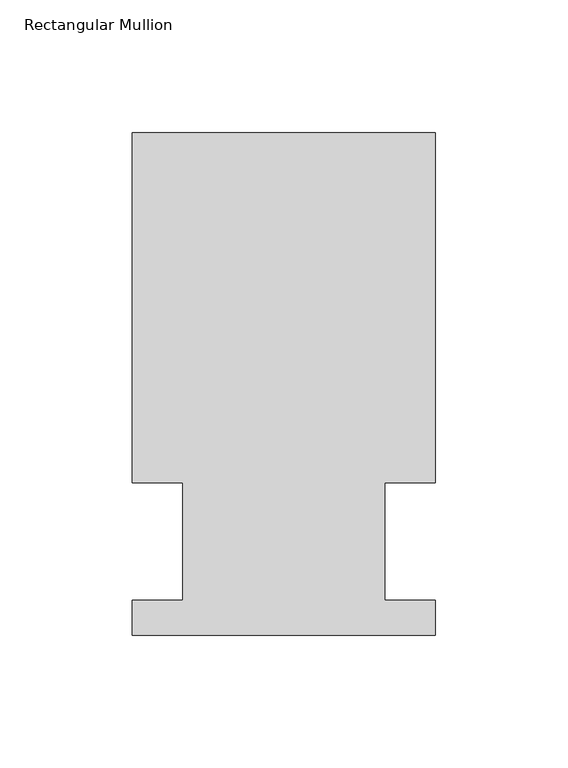
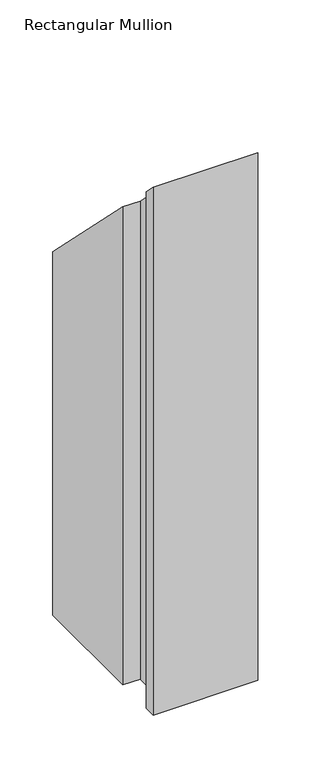
"""IFC4 building model written with IfcOpenShell, lengths in millimetres: member geometry, Rectangular Mullion."""

from ifc_helpers import new_model, si_unit, origin, place, context, project, spatial, faceted_brep, source, transform, mapped, element, save


def rectangular_mullion_38309de5(model_context):
    return source(origin(), model_context, "Body", "Brep", [
        faceted_brep([(-114.3, 189.8022937, -609.56825), (0.0, 189.8022937, -609.56825), (0.0, 57.6460937, -609.56825), (-19.0372999, 57.6460938, -609.56825), (-19.0372999, 13.1960937, -609.56825), (0.0, 13.1960937, -609.56825), (0.0, 0.0231006, -609.56825), (-114.3, 0.0231006, -609.56825), (-114.3, 13.1960937, -609.56825), (-95.25, 13.1960937, -609.56825), (-95.25, 57.6460937, -609.56825), (-114.3, 57.6460938, -609.56825), (-114.3, 57.6460938, -57.6460937), (-114.3, 189.8022937, -189.8022937), (-95.25, 57.6460937, -57.6460937), (-95.25, 13.1960937, -13.1960937), (-114.3, 13.1960937, -13.1960937), (-114.3, 0.0231006, -0.0231006), (0.0, 0.0231006, -0.0231006), (0.0, 13.1960937, -13.1960937), (-19.0372999, 13.1960937, -13.1960937), (-19.0372999, 57.6460938, -57.6460937), (0.0, 57.6460937, -57.6460937), (0.0, 189.8022937, -189.8022937)], [[[0, 1, 2, 3, 4, 5, 6, 7, 8, 9, 10, 11]], [[12, 13, 0, 11]], [[14, 12, 11, 10]], [[15, 14, 10, 9]], [[16, 15, 9, 8]], [[17, 16, 8, 7]], [[18, 17, 7, 6]], [[19, 18, 6, 5]], [[20, 19, 5, 4]], [[21, 20, 4, 3]], [[22, 21, 3, 2]], [[23, 22, 2, 1]], [[13, 23, 1, 0]], [[13, 12, 14, 15, 16, 17, 18, 19, 20, 21, 22, 23]]]),
    ])


if __name__ == "__main__":
    model = new_model("IFC4")
    model_context = context("Model", 3, world=origin())
    ifc_project = project(units=[si_unit("LENGTHUNIT", "METRE", prefix="MILLI")], contexts=[model_context])
    site = spatial("IfcSite", under=ifc_project)
    building = spatial("IfcBuilding", under=site)
    placement = place(None, origin())
    rectangular_mullion_shape = rectangular_mullion_38309de5(model_context)
    element("IfcMember", 1, ObjectType="Rectangular Mullion", at=placement, inside=building, context=model_context, shape_type="MappedRepresentation", body=[
        mapped(rectangular_mullion_shape, transform((0.0, 0.0, 0.0), x_axis=(1.0, 0.0, 0.0), y_axis=(0.0, 1.0, 0.0), z_axis=(0.0, 0.0, 1.0))),
    ])
    save(model, "model.ifc")
